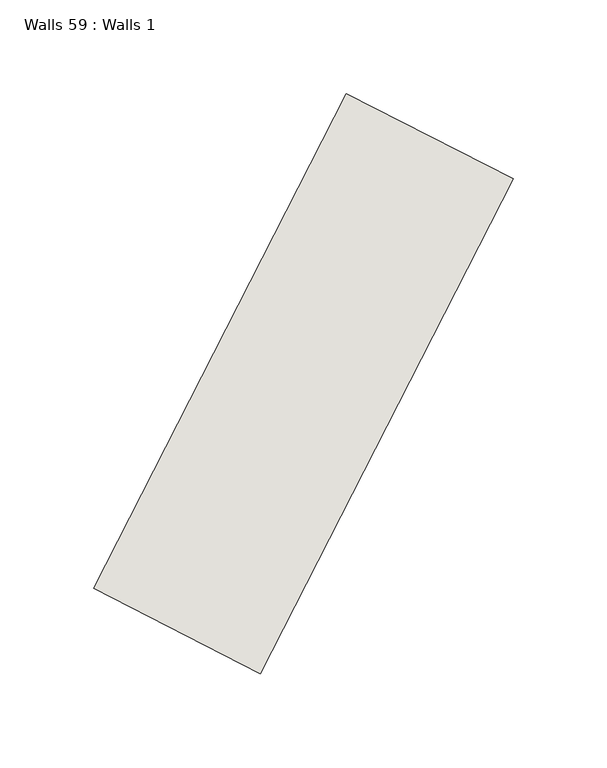
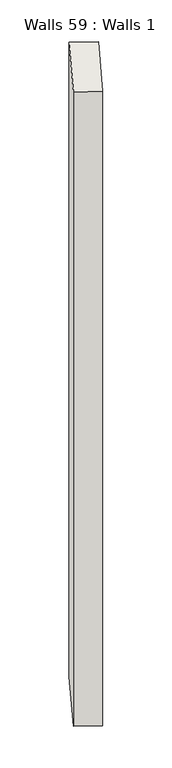
"""IFC4 building model written with IfcOpenShell, lengths in millimetres: wall geometry, Walls 59 : Walls 1."""

import ifcopenshell
import ifcopenshell.guid

model = None  # the IFC model being written
_history = None  # IfcOwnerHistory: only IFC2X3 demands one
_inside = {}  # id of a spatial element -> (the spatial element, [elements in it])
_under = {}  # id of a project, library or spatial element -> (it, [spatial elements below it])
_declared = {}  # id of a project -> (the project, [libraries it declares])
_typed = {}  # id of a type object -> (the type object, [elements of that type])
_made_of = {}  # id of a material, layer set ... -> (it, [elements and type objects made of it])


def new_model(schema):
    """Start an empty IFC model of exactly this schema.

    Asked for "IFC4X3", IfcOpenShell would pick the latest addendum, in which some entities
    have other attributes; the version numbers below select the first issue.
    IFC2X3 requires an IfcOwnerHistory on every rooted entity: one is made here for all.
    """
    global model, _history
    if schema == "IFC4X3":
        model = ifcopenshell.file(schema_version=(4, 3, 0, 0))
    else:
        model = ifcopenshell.file(schema=schema)
    _inside.clear()
    _under.clear()
    _declared.clear()
    _typed.clear()
    _made_of.clear()
    _history = None
    if model.schema == "IFC2X3":
        org = make("IfcOrganization", Name="unknown")
        user = make(
            "IfcPersonAndOrganization",
            ThePerson=make("IfcPerson", FamilyName="unknown"),
            TheOrganization=org,
        )
        app = make(
            "IfcApplication",
            ApplicationDeveloper=org,
            Version="unknown",
            ApplicationFullName="unknown",
            ApplicationIdentifier="unknown",
        )
        _history = make(
            "IfcOwnerHistory",
            OwningUser=user,
            OwningApplication=app,
            ChangeAction="ADDED",
            CreationDate=0,
        )
    return model


def make(cls, **values):
    """One entity of the class cls with the attributes given. An attribute that is None is left unset."""
    return model.create_entity(
        cls, **{name: value for name, value in values.items() if value is not None}
    )


def rooted(cls, **values):
    """An entity with a GlobalId (a new one), such as an element, a storey or a relation."""
    return make(cls, GlobalId=ifcopenshell.guid.new(), OwnerHistory=_history, **values)


def si_unit(unit_type, name, prefix=None):
    """IfcSIUnit, for example si_unit("LENGTHUNIT", "METRE", prefix="MILLI")."""
    return make("IfcSIUnit", UnitType=unit_type, Prefix=prefix, Name=name)


def assignment(units):
    """IfcUnitAssignment: the units of a project."""
    return None if units is None else make("IfcUnitAssignment", Units=units)


def point(xyz):
    """IfcCartesianPoint."""
    return None if xyz is None else make("IfcCartesianPoint", Coordinates=xyz)


def direction(xyz):
    """IfcDirection."""
    return None if xyz is None else make("IfcDirection", DirectionRatios=xyz)


def frame(location, z_axis=None, x_axis=None):
    """IfcAxis2Placement3D, a coordinate frame: its origin and axes. An axis left out is left unset."""
    return make(
        "IfcAxis2Placement3D",
        Location=point(location),
        Axis=direction(z_axis),
        RefDirection=direction(x_axis),
    )


def origin():
    """The frame at (0, 0, 0) with its axes left unset."""
    return frame((0.0, 0.0, 0.0))


def origin_with_axes():
    """The frame at (0, 0, 0) with the z axis (0, 0, 1) and the x axis (1, 0, 0) written out."""
    return frame((0.0, 0.0, 0.0), z_axis=(0.0, 0.0, 1.0), x_axis=(1.0, 0.0, 0.0))


def place(relative_to, where):
    """IfcLocalPlacement: puts the frame where relative to a parent placement (None: the world)."""
    return make(
        "IfcLocalPlacement", PlacementRelTo=relative_to, RelativePlacement=where
    )


def context(
    kind, dimensions, precision=None, world=None, true_north=None, identifier=None
):
    """IfcGeometricRepresentationContext, for example the 3D "Model" context."""
    return make(
        "IfcGeometricRepresentationContext",
        ContextIdentifier=identifier,
        ContextType=kind,
        CoordinateSpaceDimension=dimensions,
        Precision=precision,
        WorldCoordinateSystem=world,
        TrueNorth=true_north,
    )


def project(units=None, contexts=None):
    """IfcProject with its units and contexts."""
    return rooted(
        "IfcProject",
        Name="project",
        RepresentationContexts=contexts,
        UnitsInContext=assignment(units),
    )


def spatial(cls, under=None, at=None, **own):
    """A site, building, storey or space (cls), placed at a placement, below another one or the project."""
    s = rooted(cls, ObjectPlacement=at, **own)
    if under is not None:
        _under.setdefault(under.id(), (under, []))[1].append(s)
    return s


def polyline(points):
    """IfcPolyline through the points."""
    return make("IfcPolyline", Points=[point(p) for p in points])


def outline(outer, holes=None, kind="AREA"):
    """IfcArbitraryClosedProfileDef: a profile drawn as a closed curve; with holes, ...WithVoids."""
    if holes is None:
        return make("IfcArbitraryClosedProfileDef", ProfileType=kind, OuterCurve=outer)
    return make(
        "IfcArbitraryProfileDefWithVoids",
        ProfileType=kind,
        OuterCurve=outer,
        InnerCurves=holes,
    )


def extrude(swept, where, along, depth):
    """IfcExtrudedAreaSolid: the profile swept, set in the frame where, extruded along a direction by depth."""
    return make(
        "IfcExtrudedAreaSolid",
        SweptArea=swept,
        Position=where,
        ExtrudedDirection=direction(along),
        Depth=depth,
    )


def shape(context_of_items, identifier, shape_type, items):
    """IfcShapeRepresentation: the items that make up one representation, for example the "Body"."""
    return make(
        "IfcShapeRepresentation",
        ContextOfItems=context_of_items,
        RepresentationIdentifier=identifier,
        RepresentationType=shape_type,
        Items=items,
    )


def source(mapping_origin, context_of_items, identifier, shape_type, items):
    """IfcRepresentationMap: a shape defined once, which mapped items show again and again."""
    return make(
        "IfcRepresentationMap",
        MappingOrigin=mapping_origin,
        MappedRepresentation=shape(context_of_items, identifier, shape_type, items),
    )


def transform(
    local_origin,
    x_axis=None,
    y_axis=None,
    z_axis=None,
    scale=None,
    scale2=None,
    scale3=None,
    uniform=True,
):
    """IfcCartesianTransformationOperator3D, or its non-uniform kind. x_axis, y_axis, z_axis: its Axis1, 2, 3."""
    if uniform:
        return make(
            "IfcCartesianTransformationOperator3D",
            Axis1=direction(x_axis),
            Axis2=direction(y_axis),
            LocalOrigin=point(local_origin),
            Scale=scale,
            Axis3=direction(z_axis),
        )
    return make(
        "IfcCartesianTransformationOperator3DnonUniform",
        Axis1=direction(x_axis),
        Axis2=direction(y_axis),
        LocalOrigin=point(local_origin),
        Scale=scale,
        Axis3=direction(z_axis),
        Scale2=scale2,
        Scale3=scale3,
    )


def mapped(mapping_source, mapping_target):
    """IfcMappedItem: shows the shape of a source again, moved by a transform."""
    return make(
        "IfcMappedItem", MappingSource=mapping_source, MappingTarget=mapping_target
    )


def made_of(thing, what):
    """Note that an element or type object is made of a material, layer set ...; save() writes the relation."""
    if what is not None:
        _made_of.setdefault(what.id(), (what, []))[1].append(thing)
    return thing


def element(
    cls,
    number,
    at=None,
    inside=None,
    cuts=None,
    type_object=None,
    material=None,
    context=None,
    identifier="Body",
    shape_type=None,
    held_by="IfcProductDefinitionShape",
    body=None,
    shapes=None,
    **own,
):
    """One element of the class cls, such as IfcWall. Its Tag is "e" and its number.

    at: its placement. inside: the storey or other place that contains it. cuts: it is an
    opening in that element (IfcRelVoidsElement). A single representation is given by context,
    identifier, shape_type and body (its items); several are given by shapes. held_by: the class
    of the entity that holds the representations. save() writes the other relations.
    """
    e = rooted(cls, Tag="e%d" % number, ObjectPlacement=at, **own)
    if body is not None:
        shapes = [shape(context, identifier, shape_type, body)]
    if shapes is not None:
        e.Representation = make(held_by, Representations=shapes)
    if inside is not None:
        _inside.setdefault(inside.id(), (inside, []))[1].append(e)
    if cuts is not None:
        rooted(
            "IfcRelVoidsElement", RelatingBuildingElement=cuts, RelatedOpeningElement=e
        )
    if type_object is not None:
        _typed.setdefault(type_object.id(), (type_object, []))[1].append(e)
    return made_of(e, material)


def aggregate(whole, parts):
    """IfcRelAggregates: a whole, such as a stair, and the parts it consists of."""
    return rooted("IfcRelAggregates", RelatingObject=whole, RelatedObjects=parts)


def save(model, path):
    """Write the relations noted so far, then the file.

    IfcRelAggregates (storeys below a building ...), IfcRelContainedInSpatialStructure (elements
    in a storey), IfcRelDefinesByType, IfcRelAssociatesMaterial and IfcRelDeclares: one each for
    every whole, place, type object, material and project.
    """
    for whole, parts in _under.values():
        aggregate(whole, parts)
    for where, things in _inside.values():
        rooted(
            "IfcRelContainedInSpatialStructure",
            RelatedElements=things,
            RelatingStructure=where,
        )
    for kind, things in _typed.values():
        rooted("IfcRelDefinesByType", RelatedObjects=things, RelatingType=kind)
    for what, things in _made_of.values():
        rooted("IfcRelAssociatesMaterial", RelatedObjects=things, RelatingMaterial=what)
    for by, libraries in _declared.values():
        rooted("IfcRelDeclares", RelatingContext=by, RelatedDefinitions=libraries)
    model.write(path)


def walls_59_walls_1_43091f1d(model_context):
    return source(origin(), model_context, "Body", "SweptSolid", [
        extrude(outline(polyline([(8262.0871215, 719.6147075), (8397.0905027, 983.8532878), (8486.141057, 938.3560485), (8351.1376757, 674.1174682), (8262.0871215, 719.6147075)])), origin_with_axes(), (0.0, 0.0, 1.0), 2637.9472569),
    ])


if __name__ == "__main__":
    model = new_model("IFC4")
    model_context = context("Model", 3, world=origin())
    ifc_project = project(units=[si_unit("LENGTHUNIT", "METRE", prefix="MILLI")], contexts=[model_context])
    site = spatial("IfcSite", under=ifc_project)
    building = spatial("IfcBuilding", under=site)
    placement = place(None, origin())
    walls_59_walls_1_shape = walls_59_walls_1_43091f1d(model_context)
    element("IfcWall", 1, ObjectType="Walls 59 : Walls 1", at=placement, inside=building, context=model_context, shape_type="MappedRepresentation", body=[
        mapped(walls_59_walls_1_shape, transform((0.0, 0.0, 0.0), x_axis=(1.0, 0.0, 0.0), y_axis=(0.0, 1.0, 0.0), z_axis=(0.0, 0.0, 1.0))),
    ])
    save(model, "model.ifc")
